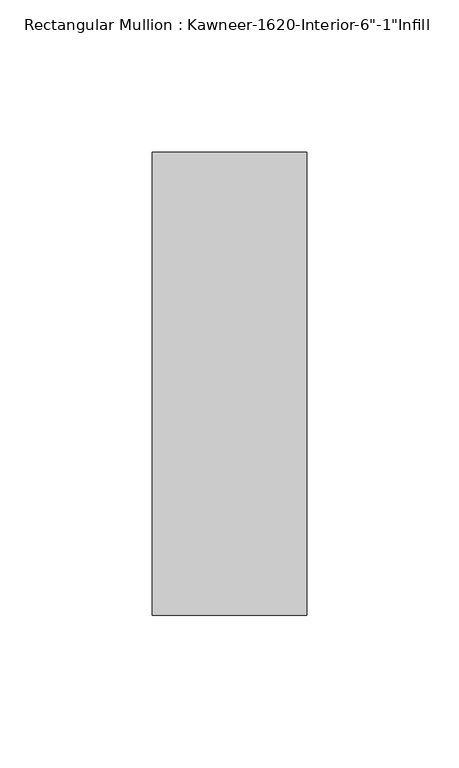
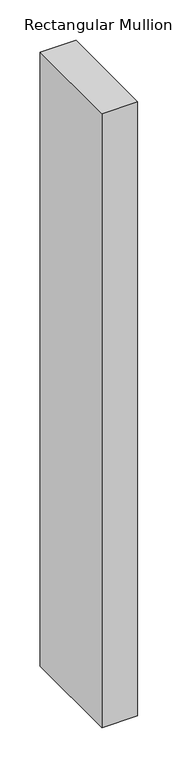
"""IFC4 building model written with IfcOpenShell, lengths in millimetres: member geometry."""

from ifc_helpers import new_model, si_unit, frame, origin, place, context, project, spatial, polyline, outline, extrude, source, transform, mapped, element, save


def member_11eb3741(model_context):
    return source(origin(), model_context, "Body", "SweptSolid", [
        extrude(outline(polyline([(25.4, -114.3), (-25.4, -114.3), (-25.4, 38.1), (25.4, 38.1), (25.4, -114.3)])), frame((0.0, 0.0, -926.2317631), z_axis=(0.0, 0.0, 1.0), x_axis=(1.0, 0.0, 0.0)), (0.0, 0.0, 1.0), 926.2317631),
    ])


if __name__ == "__main__":
    model = new_model("IFC4")
    model_context = context("Model", 3, world=origin())
    ifc_project = project(units=[si_unit("LENGTHUNIT", "METRE", prefix="MILLI")], contexts=[model_context])
    site = spatial("IfcSite", under=ifc_project)
    building = spatial("IfcBuilding", under=site)
    placement = place(None, origin())
    member_shape = member_11eb3741(model_context)
    element("IfcMember", 1, ObjectType="Rectangular Mullion : Kawneer-1620-Interior-6\"-1\"Infill", at=placement, inside=building, context=model_context, shape_type="MappedRepresentation", body=[
        mapped(member_shape, transform((0.0, 0.0, 0.0), x_axis=(1.0, 0.0, 0.0), y_axis=(0.0, 1.0, 0.0), z_axis=(0.0, 0.0, 1.0))),
    ])
    save(model, "model.ifc")
